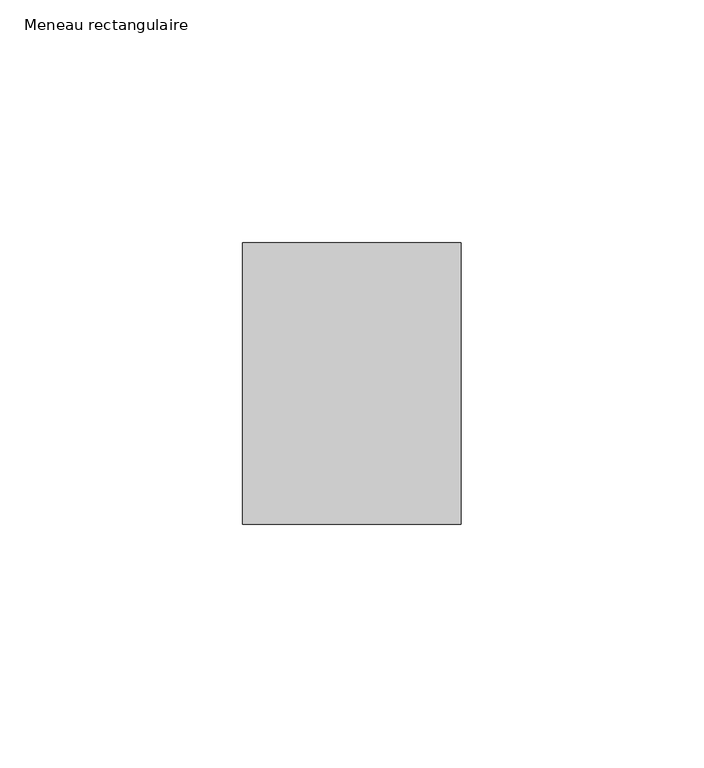
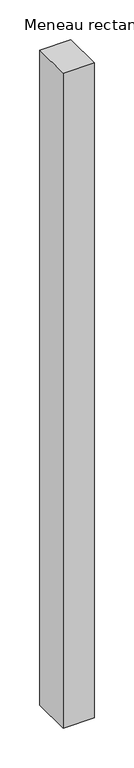
"""IFC4 building model written with IfcOpenShell, lengths in millimetres: member geometry, Meneau rectangulaire."""

from ifc_helpers import new_model, si_unit, frame, origin, place, context, project, spatial, polyline, outline, extrude, source, transform, mapped, element, save


def meneau_rectangulaire_144759a6(model_context):
    return source(origin(), model_context, "Body", "SweptSolid", [
        extrude(outline(polyline([(-45.0, 29.0), (0.0, 29.0), (0.0, -29.0), (-45.0, -29.0), (-45.0, 29.0)])), frame((0.0, 0.0, -1002.5497353), z_axis=(0.0, 0.0, 1.0), x_axis=(1.0, 0.0, 0.0)), (0.0, 0.0, 1.0), 1002.5497353),
    ])


if __name__ == "__main__":
    model = new_model("IFC4")
    model_context = context("Model", 3, world=origin())
    ifc_project = project(units=[si_unit("LENGTHUNIT", "METRE", prefix="MILLI")], contexts=[model_context])
    site = spatial("IfcSite", under=ifc_project)
    building = spatial("IfcBuilding", under=site)
    placement = place(None, origin())
    meneau_rectangulaire_shape = meneau_rectangulaire_144759a6(model_context)
    element("IfcMember", 1, ObjectType="Meneau rectangulaire", at=placement, inside=building, context=model_context, shape_type="MappedRepresentation", body=[
        mapped(meneau_rectangulaire_shape, transform((0.0, 0.0, 0.0), x_axis=(1.0, 0.0, 0.0), y_axis=(0.0, 1.0, 0.0), z_axis=(0.0, 0.0, 1.0))),
    ])
    save(model, "model.ifc")
